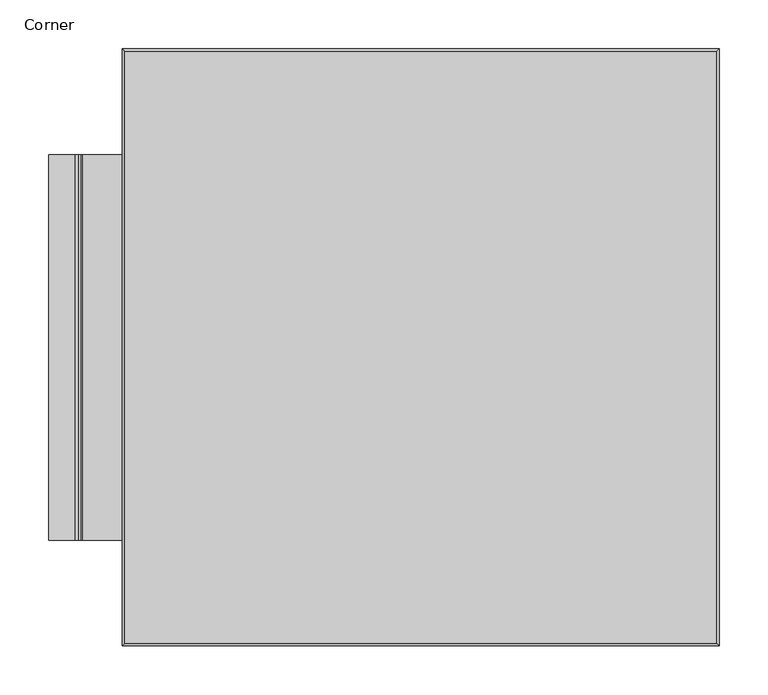
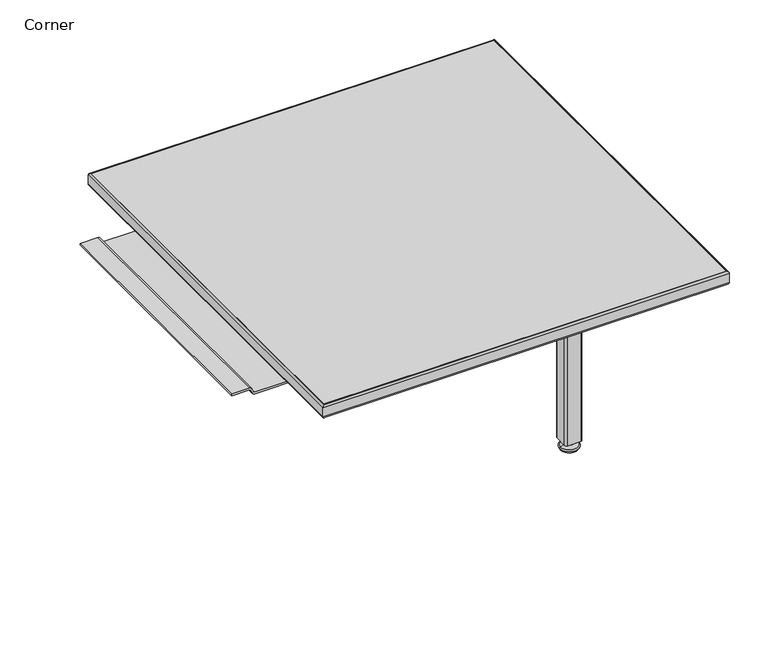
"""IFC4 building model written with IfcOpenShell, lengths in millimetres: furniture geometry, Corner."""

from ifc_helpers import new_model, si_unit, point, frame, frame_2d, origin, place, context, project, spatial, polyline, circle_curve, ellipse_curve, trimmed, segment, composite_curve, outline, extrude, source, transform, mapped, element, save
from ifc_brep_helpers import plane_surface, cylinder_surface, revolved_surface, advanced_brep


def corner_9f9a30ce(model_context):
    return source(origin(), model_context, "Body", "SolidModel", [
        extrude(outline(composite_curve([segment(polyline([(466.950331, -469.9216805), (447.5436882, -469.9216805)]), True, "CONTINUOUS"), segment(trimmed(circle_curve(frame_2d((447.5436882, -466.8736805)), 3.048), [point((447.5436882, -469.9216805))], [point((444.4956882, -466.8736805))], False, "CARTESIAN"), True, "CONTINUOUS"), segment(polyline([(444.4956882, -466.8736805), (444.4956882, -447.5696805)]), True, "CONTINUOUS"), segment(trimmed(circle_curve(frame_2d((447.5436882, -447.5696805)), 3.048), [point((444.4956882, -447.5696805))], [point((447.5436882, -444.5216805))], False, "CARTESIAN"), True, "CONTINUOUS"), segment(polyline([(447.5436882, -444.5216805), (466.8476882, -444.5216805)]), True, "CONTINUOUS"), segment(trimmed(circle_curve(frame_2d((466.8476882, -447.5696805)), 3.048), [point((466.8476882, -444.5216805))], [point((469.8956882, -447.5696805))], False, "CARTESIAN"), True, "CONTINUOUS"), segment(polyline([(469.8956882, -447.5696805), (469.8956882, -466.9763232)]), True, "CONTINUOUS"), segment(trimmed(circle_curve(frame_2d((466.950331, -466.9763232)), 2.9453572), [point((469.8956882, -466.9763232))], [point((466.950331, -469.9216805))], False, "CARTESIAN"), True, "CONTINUOUS")], self_intersect=False)), frame((0.0, 0.0, 14.0246769), z_axis=(0.0, 0.0, 1.0), x_axis=(1.0, 0.0, 0.0)), (0.0, 0.0, 1.0), 280.9241802),
        extrude(outline(polyline([(546.0497608, -545.9855454), (368.4481983, -545.9855454), (368.4481983, -368.1855454), (546.0497608, -368.1855454), (546.0497608, -545.9855454)])), frame((0.0, 0.0, 294.9488571), z_axis=(0.0, 0.0, 1.0), x_axis=(1.0, 0.0, 0.0)), (0.0, 0.0, 1.0), 3.1115591),
        advanced_brep(
        [(469.5611694, -457.2050385, 0.0), (444.8302071, -457.2050385, 0.0), (457.1956882, -457.2050385, 0.0), (471.3558733, -457.2050385, 3.1085184), (443.0355032, -457.2050385, 3.1085184), (470.4066988, -457.2050385, 5.3324349), (443.9846777, -457.2050385, 5.3324349), (463.31689, -457.2050385, 8.7250668), (451.0744865, -457.2050385, 8.7250668), (464.3421398, -457.2050385, 8.7250668), (450.0492367, -457.2050385, 8.7250668), (464.3421398, -457.2050385, 11.9129084), (450.0492367, -457.2050385, 11.9129084), (460.9626038, -457.2050385, 14.0246769), (453.4287727, -457.2050385, 14.0246769), (457.1956882, -457.2050385, 14.0246769)],
        [
            (0, 1, circle_curve(frame((457.1956882, -457.2050385, 0.0), z_axis=(0.0, 0.0, -1.0), x_axis=(-1.0, 0.0, 0.0)), 12.3654811)),
            (1, 2),
            (2, 0),
            (1, 0, circle_curve(frame((457.1956882, -457.2050385, 0.0), z_axis=(0.0, 0.0, -1.0), x_axis=(-1.0, 0.0, 0.0)), 12.3654811)),
            (3, 4, circle_curve(frame((457.1956882, -457.2050385, 3.1085184), z_axis=(0.0, 0.0, -1.0), x_axis=(-1.0, 0.0, 0.0)), 14.160185)),
            (4, 1),
            (0, 3),
            (4, 3, circle_curve(frame((457.1956882, -457.2050385, 3.1085184), z_axis=(0.0, 0.0, -1.0), x_axis=(-1.0, 0.0, 0.0)), 14.160185)),
            (5, 6, circle_curve(frame((457.1956882, -457.2050385, 5.3324349), z_axis=(0.0, 0.0, -1.0), x_axis=(-1.0, 0.0, 0.0)), 13.2110106)),
            (6, 4, circle_curve(frame((444.3445797, -457.2050385, 3.864314), z_axis=(0.0, -1.0, 0.0), x_axis=(-1.0, 0.0, 0.0)), 1.5115914)),
            (3, 5, circle_curve(frame((470.0467967, -457.2050385, 3.864314), z_axis=(0.0, -1.0, 0.0), x_axis=(1.0, 0.0, 0.0)), 1.5115914)),
            (6, 5, circle_curve(frame((457.1956882, -457.2050385, 5.3324349), z_axis=(0.0, 0.0, -1.0), x_axis=(-1.0, 0.0, 0.0)), 13.2110106)),
            (7, 8, circle_curve(frame((457.1956882, -457.2050385, 8.7250668), z_axis=(0.0, 0.0, -1.0), x_axis=(-1.0, 0.0, 0.0)), 6.1212017)),
            (8, 6, circle_curve(frame((439.4083834, -457.2050385, 24.0001611), z_axis=(0.0, 1.0, 0.0), x_axis=(-1.0, 0.0, 0.0)), 19.2204701)),
            (5, 7, circle_curve(frame((474.9829931, -457.2050385, 24.0001611), z_axis=(0.0, 1.0, 0.0), x_axis=(1.0, 0.0, 0.0)), 19.2204701)),
            (8, 7, circle_curve(frame((457.1956882, -457.2050385, 8.7250668), z_axis=(0.0, 0.0, -1.0), x_axis=(-1.0, 0.0, 0.0)), 6.1212017)),
            (9, 10, circle_curve(frame((457.1956882, -457.2050385, 8.7250668), z_axis=(0.0, 0.0, -1.0), x_axis=(-1.0, 0.0, 0.0)), 7.1464515)),
            (10, 8),
            (7, 9),
            (10, 9, circle_curve(frame((457.1956882, -457.2050385, 8.7250668), z_axis=(0.0, 0.0, -1.0), x_axis=(-1.0, 0.0, 0.0)), 7.1464515)),
            (11, 12, circle_curve(frame((457.1956882, -457.2050385, 11.9129084), z_axis=(0.0, 0.0, -1.0), x_axis=(-1.0, 0.0, 0.0)), 7.1464515)),
            (12, 10),
            (9, 11),
            (12, 11, circle_curve(frame((457.1956882, -457.2050385, 11.9129084), z_axis=(0.0, 0.0, -1.0), x_axis=(-1.0, 0.0, 0.0)), 7.1464515)),
            (13, 14, circle_curve(frame((457.1956882, -457.2050385, 14.0246769), z_axis=(0.0, 0.0, -1.0), x_axis=(-1.0, 0.0, 0.0)), 3.7669155)),
            (14, 12, circle_curve(frame((438.9365744, -457.2050385, 33.456964), z_axis=(0.0, 1.0, 0.0), x_axis=(-1.0, 0.0, 0.0)), 24.2412375)),
            (11, 13, circle_curve(frame((475.4548021, -457.2050385, 33.456964), z_axis=(0.0, 1.0, 0.0), x_axis=(1.0, 0.0, 0.0)), 24.2412375)),
            (14, 13, circle_curve(frame((457.1956882, -457.2050385, 14.0246769), z_axis=(0.0, 0.0, -1.0), x_axis=(-1.0, 0.0, 0.0)), 3.7669155)),
            (15, 14),
            (13, 15),
        ],
        [
            plane_surface(frame((457.1956882, -457.2050385, 0.0), z_axis=(0.0, 0.0, -1.0), x_axis=(-1.0, 0.0, 0.0))),
            revolved_surface(polyline([(444.8302071, -457.2050385, 0.0), (443.0355032, -457.2050385, 3.1085184)]), (457.1956882, -457.2050385, 1.0269867), (0.0, 0.0, 1.0)),
            revolved_surface(trimmed(ellipse_curve(frame((444.3445797, -457.2050385, 3.864314), z_axis=(0.0, 1.0, 0.0), x_axis=(-1.0, 0.0, 0.0)), 1.5115914, 1.5115914), [point((443.0355032, -457.2050385, 3.1085184))], [point((443.9846777, -457.2050385, 5.3324349))], True, "CARTESIAN"), (457.1956882, -457.2050385, 1.0269867), (0.0, 0.0, 1.0)),
            revolved_surface(trimmed(ellipse_curve(frame((439.4083834, -457.2050385, 24.0001611), z_axis=(0.0, -1.0, 0.0), x_axis=(-1.0, 0.0, 0.0)), 19.2204701, 19.2204701), [point((443.9846777, -457.2050385, 5.3324349))], [point((451.0744865, -457.2050385, 8.7250668))], True, "CARTESIAN"), (457.1956882, -457.2050385, 1.0269867), (0.0, 0.0, 1.0)),
            plane_surface(frame((457.1956882, -457.2050385, 8.7250668), z_axis=(0.0, 0.0, -1.0), x_axis=(-1.0, 0.0, 0.0))),
            cylinder_surface(frame((457.1956882, -457.2050385, 1.0269867), z_axis=(0.0, 0.0, 1.0), x_axis=(-1.0, 0.0, 0.0)), 7.1464515),
            revolved_surface(trimmed(ellipse_curve(frame((438.9365744, -457.2050385, 33.456964), z_axis=(0.0, -1.0, 0.0), x_axis=(-1.0, 0.0, 0.0)), 24.2412375, 24.2412375), [point((450.0492367, -457.2050385, 11.9129084))], [point((453.4287727, -457.2050385, 14.0246769))], True, "CARTESIAN"), (457.1956882, -457.2050385, 1.0269867), (0.0, 0.0, 1.0)),
            plane_surface(frame((457.1956882, -457.2050385, 14.0246769), z_axis=(0.0, 0.0, 1.0), x_axis=(-1.0, 0.0, 0.0))),
        ],
        [
            (0, [[1, 2, 3]]),
            (0, [[4, -3, -2]]),
            (1, [[5, 6, -1, 7]]),
            (1, [[8, -7, -4, -6]]),
            (2, [[9, 10, -5, 11]]),
            (2, [[12, -11, -8, -10]]),
            (3, [[13, 14, -9, 15]]),
            (3, [[16, -15, -12, -14]]),
            (4, [[17, 18, -13, 19]]),
            (4, [[20, -19, -16, -18]]),
            (5, [[21, 22, -17, 23]]),
            (5, [[24, -23, -20, -22]]),
            (6, [[25, 26, -21, 27]]),
            (6, [[28, -27, -24, -26]]),
            (7, [[29, -25, 30]]),
            (7, [[-30, -28, -29]]),
        ],
    ),
        extrude(outline(composite_curve([segment(polyline([(295.4004781, -74.6128755), (295.4004781, -47.8820042)]), True, "CONTINUOUS"), segment(trimmed(circle_curve(frame_2d((293.9122623, -47.8820042)), 1.4882157), [point((295.4004781, -47.8820042))], [point((294.5415095, -46.5333626))], True, "CARTESIAN"), True, "CONTINUOUS"), segment(polyline([(294.5415095, -46.5333626), (289.1160836, -44.0019756)]), True, "CONTINUOUS"), segment(trimmed(circle_curve(frame_2d((291.0807898, -39.7910951)), 4.6466746), [point((289.1160836, -44.0019756))], [point((286.4341152, -39.7910951))], False, "CARTESIAN"), True, "CONTINUOUS"), segment(polyline([(286.4341152, -39.7910951), (286.4341152, 33.4857342)]), True, "CONTINUOUS"), segment(trimmed(circle_curve(frame_2d((291.0095368, 33.4857342)), 4.5754216), [point((286.4341152, 33.4857342))], [point((289.0756398, 37.6323624))], False, "CARTESIAN"), True, "CONTINUOUS"), segment(polyline([(289.0756398, 37.6323624), (294.6534949, 40.2337524)]), True, "CONTINUOUS"), segment(trimmed(circle_curve(frame_2d((294.1066181, 41.4063561)), 1.29386), [point((294.6534949, 40.2337524))], [point((295.4004781, 41.4063561))], True, "CARTESIAN"), True, "CONTINUOUS"), segment(polyline([(295.4004781, 41.4063561), (295.4004781, 68.2621554), (298.0604162, 68.2621554), (298.0604162, 41.542553)]), True, "CONTINUOUS"), segment(trimmed(circle_curve(frame_2d((293.8793406, 41.542553)), 4.1810756), [point((298.0604162, 41.542553))], [point((295.6420807, 37.7512286))], False, "CARTESIAN"), True, "CONTINUOUS"), segment(polyline([(295.6420807, 37.7512286), (289.9013615, 35.0821361)]), True, "CONTINUOUS"), segment(trimmed(circle_curve(frame_2d((290.4898303, 33.8164498)), 1.3957999), [point((289.9013615, 35.0821361))], [point((289.0940304, 33.8164498))], True, "CARTESIAN"), True, "CONTINUOUS"), segment(polyline([(289.0940304, 33.8164498), (289.0940304, -39.869564)]), True, "CONTINUOUS"), segment(trimmed(circle_curve(frame_2d((291.0178411, -39.869564)), 1.9238107), [point((289.0940304, -39.869564))], [point((290.2044157, -41.6129477))], True, "CARTESIAN"), True, "CONTINUOUS"), segment(polyline([(290.2044157, -41.6129477), (295.7418276, -44.1965849)]), True, "CONTINUOUS"), segment(trimmed(circle_curve(frame_2d((294.0433192, -47.8369335)), 4.017097), [point((295.7418276, -44.1965849))], [point((298.0604162, -47.8369335))], False, "CARTESIAN"), True, "CONTINUOUS"), segment(polyline([(298.0604162, -47.8369335), (298.0604162, -74.6128755), (295.4004781, -74.6128755)]), True, "CONTINUOUS")], self_intersect=False)), frame((0.0, -501.6690478, 0.0), z_axis=(0.0, 1.0, 0.0), x_axis=(0.0, 0.0, 1.0)), (0.0, 0.0, 1.0), 393.7222287),
        advanced_brep(
        [(0.0007994, 0.0, 301.030172), (2.1007439, -2.0999445, 298.0604162), (2.1007439, -607.4987232, 298.0604162), (0.0007994, -609.5986677, 301.030172), (0.0007994, 0.0, 315.5606319), (0.0007994, -609.5986677, 315.5606319), (2.1007196, -2.0999203, 318.5304119), (2.1007196, -607.4987474, 318.5304119), (2.9999865, -2.9991871, 298.0604162), (2.9999865, -2.9991871, 318.5304119), (2.9999865, -606.5994806, 318.5304119), (2.9999865, -606.5994806, 298.0604162), (607.4984083, -607.4987232, 298.0604162), (609.5983528, -609.5986677, 301.030172), (609.5983528, -609.5986677, 315.5606319), (607.4984325, -607.4987474, 318.5304119), (606.5991657, -606.5994806, 318.5304119), (606.5991657, -606.5994806, 298.0604162), (607.4984083, -2.0999445, 298.0604162), (609.5983528, 0.0, 301.030172), (609.5983528, 0.0, 315.5606319), (607.4984325, -2.0999203, 318.5304119), (606.5991657, -2.9991871, 318.5304119), (606.5991657, -2.9991871, 298.0604162)],
        [
            (0, 1, ellipse_curve(frame((3.150696, -3.1498966, 301.030172), z_axis=(-0.7071067811865475, -0.7071067811865475, 0.0), x_axis=(-0.7071067811865474, 0.7071067811865476, 0.0)), 4.4546265, 3.1498966)),
            (1, 2),
            (2, 3, ellipse_curve(frame((3.150696, -606.4487711, 301.030172), z_axis=(-0.7071067811865475, 0.7071067811865475, 0.0), x_axis=(0.7071067811865474, 0.7071067811865476, 0.0)), 4.4546265, 3.1498966)),
            (3, 0),
            (4, 0),
            (3, 5),
            (5, 4),
            (6, 4, ellipse_curve(frame((3.1507423, -3.149943, 315.5606319), z_axis=(-0.7071067811865475, -0.7071067811865475, 0.0), x_axis=(-0.7071067811865474, 0.7071067811865476, 0.0)), 4.4546921, 3.149943)),
            (5, 7, ellipse_curve(frame((3.1507423, -606.4487247, 315.5606319), z_axis=(-0.7071067811865475, 0.7071067811865475, 0.0), x_axis=(0.7071067811865474, 0.7071067811865476, 0.0)), 4.4546921, 3.149943)),
            (7, 6),
            (8, 9),
            (9, 10),
            (10, 11),
            (11, 8),
            (2, 12),
            (12, 13, ellipse_curve(frame((606.4484562, -606.4487711, 301.030172), z_axis=(-0.7071067811865475, -0.7071067811865475, 0.0), x_axis=(-0.7071067811865476, 0.7071067811865474, 0.0)), 4.4546265, 3.1498966)),
            (13, 3),
            (13, 14),
            (14, 5),
            (14, 15, ellipse_curve(frame((606.4484098, -606.4487247, 315.5606319), z_axis=(-0.7071067811865475, -0.7071067811865475, 0.0), x_axis=(-0.7071067811865476, 0.7071067811865474, 0.0)), 4.4546921, 3.149943)),
            (15, 7),
            (10, 16),
            (16, 17),
            (17, 11),
            (12, 18),
            (18, 19, ellipse_curve(frame((606.4484562, -3.1498966, 301.030172), z_axis=(0.7071067811865475, -0.7071067811865475, 0.0), x_axis=(-0.7071067811865474, -0.7071067811865476, 0.0)), 4.4546265, 3.1498966)),
            (19, 13),
            (19, 20),
            (20, 14),
            (20, 21, ellipse_curve(frame((606.4484098, -3.149943, 315.5606319), z_axis=(0.7071067811865475, -0.7071067811865475, 0.0), x_axis=(-0.7071067811865474, -0.7071067811865476, 0.0)), 4.4546921, 3.149943)),
            (21, 15),
            (16, 22),
            (22, 23),
            (23, 17),
            (1, 18),
            (23, 8),
            (0, 19),
            (4, 20),
            (6, 21),
            (9, 22),
        ],
        [
            cylinder_surface(frame((3.150696, -2.9991871, 301.030172), z_axis=(0.0, 1.0, 0.0), x_axis=(1.0, 0.0, 0.0)), 3.1498966),
            plane_surface(frame((0.0007994, 0.0, 301.030172), z_axis=(-1.0, 0.0, 0.0), x_axis=(0.0, -1.0, 0.0))),
            cylinder_surface(frame((3.1507423, -2.9991871, 315.5606319), z_axis=(0.0, 1.0, 0.0), x_axis=(1.0, 0.0, 0.0)), 3.149943),
            plane_surface(frame((2.9999865, -2.9991871, 318.5304119), z_axis=(1.0, 0.0, 0.0), x_axis=(0.0, -1.0, 0.0))),
            cylinder_surface(frame((2.9999865, -606.4487711, 301.030172), z_axis=(-1.0, 0.0, 0.0), x_axis=(0.0, 1.0, 0.0)), 3.1498966),
            plane_surface(frame((0.0007994, -609.5986677, 301.030172), z_axis=(0.0, -1.0, 0.0), x_axis=(1.0, 0.0, 0.0))),
            cylinder_surface(frame((2.9999865, -606.4487247, 315.5606319), z_axis=(-1.0, 0.0, 0.0), x_axis=(0.0, 1.0, 0.0)), 3.149943),
            plane_surface(frame((2.9999865, -606.5994806, 318.5304119), z_axis=(0.0, 1.0, 0.0), x_axis=(1.0, 0.0, 0.0))),
            cylinder_surface(frame((606.4484562, -606.5994806, 301.030172), z_axis=(0.0, -1.0, 0.0), x_axis=(-1.0, 0.0, 0.0)), 3.1498966),
            plane_surface(frame((609.5983528, -609.5986677, 301.030172), z_axis=(1.0, 0.0, 0.0), x_axis=(0.0, 1.0, 0.0))),
            cylinder_surface(frame((606.4484098, -606.5994806, 315.5606319), z_axis=(0.0, -1.0, 0.0), x_axis=(-1.0, 0.0, 0.0)), 3.149943),
            plane_surface(frame((606.5991657, -606.5994806, 318.5304119), z_axis=(-1.0, 0.0, 0.0), x_axis=(0.0, 1.0, 0.0))),
            plane_surface(frame((606.5991657, -2.9991871, 298.0604162), z_axis=(0.0, 0.0, -1.0), x_axis=(-1.0, 0.0, 0.0))),
            cylinder_surface(frame((606.5991657, -3.1498966, 301.030172), z_axis=(1.0, 0.0, 0.0), x_axis=(0.0, -1.0, 0.0)), 3.1498966),
            plane_surface(frame((609.5983528, 0.0, 301.030172), z_axis=(0.0, 1.0, 0.0), x_axis=(-1.0, 0.0, 0.0))),
            cylinder_surface(frame((606.5991657, -3.149943, 315.5606319), z_axis=(1.0, 0.0, 0.0), x_axis=(0.0, -1.0, 0.0)), 3.149943),
            plane_surface(frame((607.4984325, -2.0999203, 318.5304119), z_axis=(0.0, 0.0, 1.0), x_axis=(-1.0, 0.0, 0.0))),
            plane_surface(frame((606.5991657, -2.9991871, 318.5304119), z_axis=(0.0, -1.0, 0.0), x_axis=(-1.0, 0.0, 0.0))),
        ],
        [
            (0, [[1, 2, 3, 4]]),
            (1, [[5, -4, 6, 7]]),
            (2, [[8, -7, 9, 10]]),
            (3, [[11, 12, 13, 14]]),
            (4, [[-3, 15, 16, 17]]),
            (5, [[-6, -17, 18, 19]]),
            (6, [[-9, -19, 20, 21]]),
            (7, [[-13, 22, 23, 24]]),
            (8, [[-16, 25, 26, 27]]),
            (9, [[-18, -27, 28, 29]]),
            (10, [[-20, -29, 30, 31]]),
            (11, [[-23, 32, 33, 34]]),
            (12, [[35, -25, -15, -2], [-24, -34, 36, -14]]),
            (13, [[-26, -35, -1, 37]]),
            (14, [[-28, -37, -5, 38]]),
            (15, [[-30, -38, -8, 39]]),
            (16, [[-21, -31, -39, -10], [40, -32, -22, -12]]),
            (17, [[-33, -40, -11, -36]]),
        ],
    ),
        extrude(outline(polyline([(606.5991657, -2.9991871), (606.5991657, -606.5994806), (2.9999865, -606.5994806), (2.9999865, -2.9991871), (606.5991657, -2.9991871)])), frame((0.0, 0.0, 298.0604162), z_axis=(0.0, 0.0, 1.0), x_axis=(1.0, 0.0, 0.0)), (0.0, 0.0, 1.0), 20.4699957),
    ])


if __name__ == "__main__":
    model = new_model("IFC4")
    model_context = context("Model", 3, world=origin())
    ifc_project = project(units=[si_unit("LENGTHUNIT", "METRE", prefix="MILLI")], contexts=[model_context])
    site = spatial("IfcSite", under=ifc_project)
    building = spatial("IfcBuilding", under=site)
    placement = place(None, origin())
    corner_shape = corner_9f9a30ce(model_context)
    element("IfcFurniture", 1, ObjectType="Corner", at=placement, inside=building, context=model_context, shape_type="MappedRepresentation", body=[
        mapped(corner_shape, transform((0.0, 0.0, 0.0), x_axis=(1.0, 0.0, 0.0), y_axis=(0.0, 1.0, 0.0), z_axis=(0.0, 0.0, 1.0))),
    ])
    save(model, "model.ifc")
